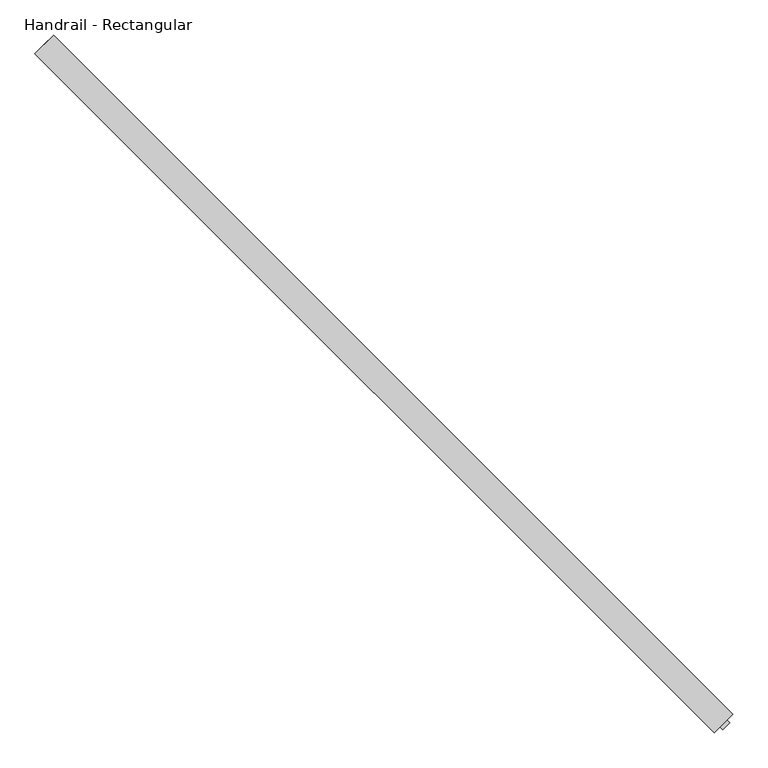
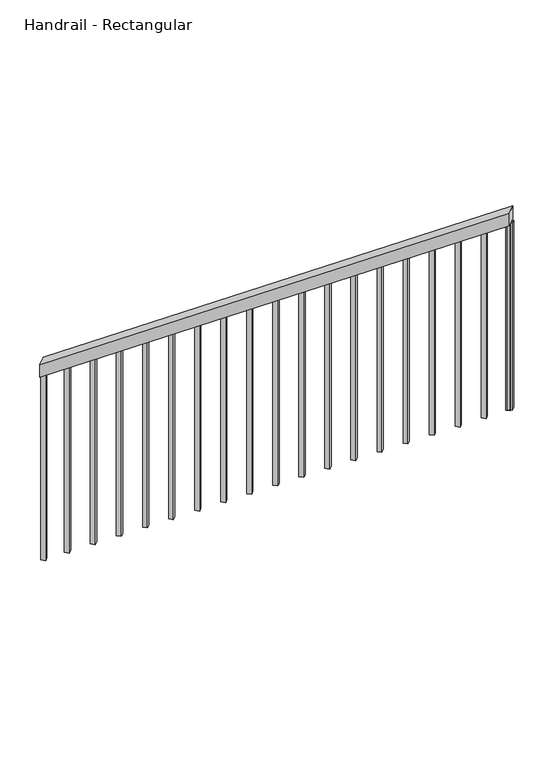
"""IFC4 building model written with IfcOpenShell, lengths in millimetres: railing geometry, Handrail - Rectangular."""

import ifcopenshell
import ifcopenshell.guid

model = None  # the IFC model being written
_history = None  # IfcOwnerHistory: only IFC2X3 demands one
_inside = {}  # id of a spatial element -> (the spatial element, [elements in it])
_under = {}  # id of a project, library or spatial element -> (it, [spatial elements below it])
_declared = {}  # id of a project -> (the project, [libraries it declares])
_typed = {}  # id of a type object -> (the type object, [elements of that type])
_made_of = {}  # id of a material, layer set ... -> (it, [elements and type objects made of it])


def new_model(schema):
    """Start an empty IFC model of exactly this schema.

    Asked for "IFC4X3", IfcOpenShell would pick the latest addendum, in which some entities
    have other attributes; the version numbers below select the first issue.
    IFC2X3 requires an IfcOwnerHistory on every rooted entity: one is made here for all.
    """
    global model, _history
    if schema == "IFC4X3":
        model = ifcopenshell.file(schema_version=(4, 3, 0, 0))
    else:
        model = ifcopenshell.file(schema=schema)
    _inside.clear()
    _under.clear()
    _declared.clear()
    _typed.clear()
    _made_of.clear()
    _history = None
    if model.schema == "IFC2X3":
        org = make("IfcOrganization", Name="unknown")
        user = make(
            "IfcPersonAndOrganization",
            ThePerson=make("IfcPerson", FamilyName="unknown"),
            TheOrganization=org,
        )
        app = make(
            "IfcApplication",
            ApplicationDeveloper=org,
            Version="unknown",
            ApplicationFullName="unknown",
            ApplicationIdentifier="unknown",
        )
        _history = make(
            "IfcOwnerHistory",
            OwningUser=user,
            OwningApplication=app,
            ChangeAction="ADDED",
            CreationDate=0,
        )
    return model


def make(cls, **values):
    """One entity of the class cls with the attributes given. An attribute that is None is left unset."""
    return model.create_entity(
        cls, **{name: value for name, value in values.items() if value is not None}
    )


def rooted(cls, **values):
    """An entity with a GlobalId (a new one), such as an element, a storey or a relation."""
    return make(cls, GlobalId=ifcopenshell.guid.new(), OwnerHistory=_history, **values)


def si_unit(unit_type, name, prefix=None):
    """IfcSIUnit, for example si_unit("LENGTHUNIT", "METRE", prefix="MILLI")."""
    return make("IfcSIUnit", UnitType=unit_type, Prefix=prefix, Name=name)


def assignment(units):
    """IfcUnitAssignment: the units of a project."""
    return None if units is None else make("IfcUnitAssignment", Units=units)


def point(xyz):
    """IfcCartesianPoint."""
    return None if xyz is None else make("IfcCartesianPoint", Coordinates=xyz)


def direction(xyz):
    """IfcDirection."""
    return None if xyz is None else make("IfcDirection", DirectionRatios=xyz)


def frame(location, z_axis=None, x_axis=None):
    """IfcAxis2Placement3D, a coordinate frame: its origin and axes. An axis left out is left unset."""
    return make(
        "IfcAxis2Placement3D",
        Location=point(location),
        Axis=direction(z_axis),
        RefDirection=direction(x_axis),
    )


def origin():
    """The frame at (0, 0, 0) with its axes left unset."""
    return frame((0.0, 0.0, 0.0))


def place(relative_to, where):
    """IfcLocalPlacement: puts the frame where relative to a parent placement (None: the world)."""
    return make(
        "IfcLocalPlacement", PlacementRelTo=relative_to, RelativePlacement=where
    )


def context(
    kind, dimensions, precision=None, world=None, true_north=None, identifier=None
):
    """IfcGeometricRepresentationContext, for example the 3D "Model" context."""
    return make(
        "IfcGeometricRepresentationContext",
        ContextIdentifier=identifier,
        ContextType=kind,
        CoordinateSpaceDimension=dimensions,
        Precision=precision,
        WorldCoordinateSystem=world,
        TrueNorth=true_north,
    )


def project(units=None, contexts=None):
    """IfcProject with its units and contexts."""
    return rooted(
        "IfcProject",
        Name="project",
        RepresentationContexts=contexts,
        UnitsInContext=assignment(units),
    )


def spatial(cls, under=None, at=None, **own):
    """A site, building, storey or space (cls), placed at a placement, below another one or the project."""
    s = rooted(cls, ObjectPlacement=at, **own)
    if under is not None:
        _under.setdefault(under.id(), (under, []))[1].append(s)
    return s


def polyline(points):
    """IfcPolyline through the points."""
    return make("IfcPolyline", Points=[point(p) for p in points])


def outline(outer, holes=None, kind="AREA"):
    """IfcArbitraryClosedProfileDef: a profile drawn as a closed curve; with holes, ...WithVoids."""
    if holes is None:
        return make("IfcArbitraryClosedProfileDef", ProfileType=kind, OuterCurve=outer)
    return make(
        "IfcArbitraryProfileDefWithVoids",
        ProfileType=kind,
        OuterCurve=outer,
        InnerCurves=holes,
    )


def extrude(swept, where, along, depth):
    """IfcExtrudedAreaSolid: the profile swept, set in the frame where, extruded along a direction by depth."""
    return make(
        "IfcExtrudedAreaSolid",
        SweptArea=swept,
        Position=where,
        ExtrudedDirection=direction(along),
        Depth=depth,
    )


def shape(context_of_items, identifier, shape_type, items):
    """IfcShapeRepresentation: the items that make up one representation, for example the "Body"."""
    return make(
        "IfcShapeRepresentation",
        ContextOfItems=context_of_items,
        RepresentationIdentifier=identifier,
        RepresentationType=shape_type,
        Items=items,
    )


def source(mapping_origin, context_of_items, identifier, shape_type, items):
    """IfcRepresentationMap: a shape defined once, which mapped items show again and again."""
    return make(
        "IfcRepresentationMap",
        MappingOrigin=mapping_origin,
        MappedRepresentation=shape(context_of_items, identifier, shape_type, items),
    )


def transform(
    local_origin,
    x_axis=None,
    y_axis=None,
    z_axis=None,
    scale=None,
    scale2=None,
    scale3=None,
    uniform=True,
):
    """IfcCartesianTransformationOperator3D, or its non-uniform kind. x_axis, y_axis, z_axis: its Axis1, 2, 3."""
    if uniform:
        return make(
            "IfcCartesianTransformationOperator3D",
            Axis1=direction(x_axis),
            Axis2=direction(y_axis),
            LocalOrigin=point(local_origin),
            Scale=scale,
            Axis3=direction(z_axis),
        )
    return make(
        "IfcCartesianTransformationOperator3DnonUniform",
        Axis1=direction(x_axis),
        Axis2=direction(y_axis),
        LocalOrigin=point(local_origin),
        Scale=scale,
        Axis3=direction(z_axis),
        Scale2=scale2,
        Scale3=scale3,
    )


def mapped(mapping_source, mapping_target):
    """IfcMappedItem: shows the shape of a source again, moved by a transform."""
    return make(
        "IfcMappedItem", MappingSource=mapping_source, MappingTarget=mapping_target
    )


def made_of(thing, what):
    """Note that an element or type object is made of a material, layer set ...; save() writes the relation."""
    if what is not None:
        _made_of.setdefault(what.id(), (what, []))[1].append(thing)
    return thing


def element(
    cls,
    number,
    at=None,
    inside=None,
    cuts=None,
    type_object=None,
    material=None,
    context=None,
    identifier="Body",
    shape_type=None,
    held_by="IfcProductDefinitionShape",
    body=None,
    shapes=None,
    **own,
):
    """One element of the class cls, such as IfcWall. Its Tag is "e" and its number.

    at: its placement. inside: the storey or other place that contains it. cuts: it is an
    opening in that element (IfcRelVoidsElement). A single representation is given by context,
    identifier, shape_type and body (its items); several are given by shapes. held_by: the class
    of the entity that holds the representations. save() writes the other relations.
    """
    e = rooted(cls, Tag="e%d" % number, ObjectPlacement=at, **own)
    if body is not None:
        shapes = [shape(context, identifier, shape_type, body)]
    if shapes is not None:
        e.Representation = make(held_by, Representations=shapes)
    if inside is not None:
        _inside.setdefault(inside.id(), (inside, []))[1].append(e)
    if cuts is not None:
        rooted(
            "IfcRelVoidsElement", RelatingBuildingElement=cuts, RelatedOpeningElement=e
        )
    if type_object is not None:
        _typed.setdefault(type_object.id(), (type_object, []))[1].append(e)
    return made_of(e, material)


def aggregate(whole, parts):
    """IfcRelAggregates: a whole, such as a stair, and the parts it consists of."""
    return rooted("IfcRelAggregates", RelatingObject=whole, RelatedObjects=parts)


def save(model, path):
    """Write the relations noted so far, then the file.

    IfcRelAggregates (storeys below a building ...), IfcRelContainedInSpatialStructure (elements
    in a storey), IfcRelDefinesByType, IfcRelAssociatesMaterial and IfcRelDeclares: one each for
    every whole, place, type object, material and project.
    """
    for whole, parts in _under.values():
        aggregate(whole, parts)
    for where, things in _inside.values():
        rooted(
            "IfcRelContainedInSpatialStructure",
            RelatedElements=things,
            RelatingStructure=where,
        )
    for kind, things in _typed.values():
        rooted("IfcRelDefinesByType", RelatedObjects=things, RelatingType=kind)
    for what, things in _made_of.values():
        rooted("IfcRelAssociatesMaterial", RelatedObjects=things, RelatingMaterial=what)
    for by, libraries in _declared.values():
        rooted("IfcRelDeclares", RelatingContext=by, RelatedDefinitions=libraries)
    model.write(path)


def handrail_rectangular_7dae21b6(model_context):
    return source(origin(), model_context, "Body", "SweptSolid", [
        extrude(outline(polyline([(28.5226862, -50.8), (0.0, 0.0), (2100.3521644, 1e-07), (2128.8748507, -50.8), (28.5226862, -50.8)])), frame((-8519.103815, -1057.8869688, 1031.434726), z_axis=(0.7071067811865491, 0.7071067811865459, 0.0), x_axis=(0.6165680939644765, -0.6165680939644793, 0.4895789732106777)), (0.0, 0.0, 1.0), 50.8),
        extrude(outline(polyline([(223.2519963, -19.05), (233.9480036, 0.0), (1084.7403773, 0.0), (1084.7403773, -19.05), (223.2519963, -19.05)])), frame((-7221.4568055, -2333.083338, 2286.8514302), z_axis=(0.7071067811865491, 0.707106781186546, 0.0), x_axis=(0.0, 0.0, -1.0)), (0.0, 0.0, 1.0), 19.05),
        extrude(outline(polyline([(223.2519963, -19.05), (233.9480037, 0.0), (1084.7403774, 0.0), (1084.7403774, -19.05), (223.2519963, -19.05)])), frame((-7293.2988545, -2261.241289, 2229.8060578), z_axis=(0.7071067811865491, 0.707106781186546, 0.0), x_axis=(0.0, 0.0, -1.0)), (0.0, 0.0, 1.0), 19.05),
        extrude(outline(polyline([(223.2519963, -19.05), (233.9480036, 0.0), (1084.7403773, 0.0), (1084.7403773, -19.05), (223.2519963, -19.05)])), frame((-7365.1409035, -2189.39924, 2172.7606853), z_axis=(0.7071067811865491, 0.707106781186546, 0.0), x_axis=(0.0, 0.0, -1.0)), (0.0, 0.0, 1.0), 19.05),
        extrude(outline(polyline([(223.2519964, -19.05), (233.9480037, 0.0), (1084.7403774, 0.0), (1084.7403774, -19.05), (223.2519964, -19.05)])), frame((-7436.9829524, -2117.5571911, 2115.7153129), z_axis=(0.7071067811865491, 0.707106781186546, 0.0), x_axis=(0.0, 0.0, -1.0)), (0.0, 0.0, 1.0), 19.05),
        extrude(outline(polyline([(223.2519963, -19.05), (233.9480037, 0.0), (1084.7403774, 0.0), (1084.7403774, -19.05), (223.2519963, -19.05)])), frame((-7508.8250014, -2045.7151421, 2058.6699404), z_axis=(0.7071067811865491, 0.707106781186546, 0.0), x_axis=(0.0, 0.0, -1.0)), (0.0, 0.0, 1.0), 19.05),
        extrude(outline(polyline([(223.2519963, -19.05), (233.9480036, 0.0), (1084.7403773, 0.0), (1084.7403773, -19.05), (223.2519963, -19.05)])), frame((-7580.6670504, -1973.8730931, 2001.6245679), z_axis=(0.7071067811865491, 0.707106781186546, 0.0), x_axis=(0.0, 0.0, -1.0)), (0.0, 0.0, 1.0), 19.05),
        extrude(outline(polyline([(223.2519963, -19.05), (233.9480037, 0.0), (1084.7403774, 0.0), (1084.7403774, -19.05), (223.2519963, -19.05)])), frame((-7652.5090993, -1902.0310442, 1944.5791955), z_axis=(0.7071067811865491, 0.707106781186546, 0.0), x_axis=(0.0, 0.0, -1.0)), (0.0, 0.0, 1.0), 19.05),
        extrude(outline(polyline([(223.2519963, -19.05), (233.9480036, 0.0), (1084.7403773, 0.0), (1084.7403773, -19.05), (223.2519963, -19.05)])), frame((-7724.3511483, -1830.1889952, 1887.533823), z_axis=(0.7071067811865491, 0.707106781186546, 0.0), x_axis=(0.0, 0.0, -1.0)), (0.0, 0.0, 1.0), 19.05),
        extrude(outline(polyline([(223.2519964, -19.05), (233.9480037, 0.0), (1084.7403774, 0.0), (1084.7403774, -19.05), (223.2519964, -19.05)])), frame((-7796.1931973, -1758.3469462, 1830.4884506), z_axis=(0.7071067811865491, 0.707106781186546, 0.0), x_axis=(0.0, 0.0, -1.0)), (0.0, 0.0, 1.0), 19.05),
        extrude(outline(polyline([(223.2519963, -19.0499999), (233.9480037, 0.0), (1084.7403774, 0.0), (1084.7403774, -19.0499999), (223.2519963, -19.0499999)])), frame((-7868.0352462, -1686.5048973, 1773.4430781), z_axis=(0.7071067811865491, 0.707106781186546, 0.0), x_axis=(0.0, 0.0, -1.0)), (0.0, 0.0, 1.0), 19.05),
        extrude(outline(polyline([(223.2519963, -19.05), (233.9480036, 0.0), (1084.7403773, 0.0), (1084.7403773, -19.05), (223.2519963, -19.05)])), frame((-7939.8772952, -1614.6628483, 1716.3977056), z_axis=(0.7071067811865491, 0.707106781186546, 0.0), x_axis=(0.0, 0.0, -1.0)), (0.0, 0.0, 1.0), 19.05),
        extrude(outline(polyline([(223.2519963, -19.05), (233.9480037, 0.0), (1084.7403774, 0.0), (1084.7403774, -19.05), (223.2519963, -19.05)])), frame((-8011.7193442, -1542.8207993, 1659.3523332), z_axis=(0.7071067811865491, 0.707106781186546, 0.0), x_axis=(0.0, 0.0, -1.0)), (0.0, 0.0, 1.0), 19.05),
        extrude(outline(polyline([(223.2519963, -19.0499999), (233.9480036, 0.0), (1084.7403773, 0.0), (1084.7403773, -19.0499999), (223.2519963, -19.0499999)])), frame((-8083.5613931, -1470.9787504, 1602.3069607), z_axis=(0.7071067811865491, 0.707106781186546, 0.0), x_axis=(0.0, 0.0, -1.0)), (0.0, 0.0, 1.0), 19.05),
        extrude(outline(polyline([(223.2519964, -19.05), (233.9480037, 0.0), (1084.7403774, 0.0), (1084.7403774, -19.05), (223.2519964, -19.05)])), frame((-8155.4034421, -1399.1367014, 1545.2615883), z_axis=(0.7071067811865491, 0.707106781186546, 0.0), x_axis=(0.0, 0.0, -1.0)), (0.0, 0.0, 1.0), 19.05),
        extrude(outline(polyline([(223.2519963, -19.05), (233.9480037, 0.0), (1084.7403774, 0.0), (1084.7403774, -19.05), (223.2519963, -19.05)])), frame((-8227.2454911, -1327.2946524, 1488.2162158), z_axis=(0.7071067811865491, 0.707106781186546, 0.0), x_axis=(0.0, 0.0, -1.0)), (0.0, 0.0, 1.0), 19.05),
        extrude(outline(polyline([(223.2519963, -19.0499999), (233.9480036, 0.0), (1084.7403773, 0.0), (1084.7403773, -19.0499999), (223.2519963, -19.0499999)])), frame((-8299.08754, -1255.4526035, 1431.1708433), z_axis=(0.7071067811865491, 0.707106781186546, 0.0), x_axis=(0.0, 0.0, -1.0)), (0.0, 0.0, 1.0), 19.05),
        extrude(outline(polyline([(223.2519964, -19.05), (233.9480037, 0.0), (1084.7403774, 0.0), (1084.7403774, -19.05), (223.2519964, -19.05)])), frame((-8370.929589, -1183.6105545, 1374.1254709), z_axis=(0.7071067811865491, 0.707106781186546, 0.0), x_axis=(0.0, 0.0, -1.0)), (0.0, 0.0, 1.0), 19.05),
        extrude(outline(polyline([(223.2519963, -19.05), (233.9480036, 0.0), (1084.7403773, 0.0), (1084.7403773, -19.05), (223.2519963, -19.05)])), frame((-8442.771638, -1111.7685055, 1317.0800984), z_axis=(0.7071067811865491, 0.707106781186546, 0.0), x_axis=(0.0, 0.0, -1.0)), (0.0, 0.0, 1.0), 19.05),
        extrude(outline(polyline([(223.2519964, -19.05), (233.9480037, 0.0), (1084.7403774, 0.0), (1084.7403774, -19.05), (223.2519964, -19.05)])), frame((-7226.3387483, -2328.2013952, 2282.9749784), z_axis=(0.7071067811865491, 0.707106781186546, 0.0), x_axis=(0.0, 0.0, -1.0)), (0.0, 0.0, 1.0), 19.05),
        extrude(outline(polyline([(223.2519963, -19.05), (233.9480036, 0.0), (1084.7403773, 0.0), (1084.7403773, -19.05), (223.2519963, -19.05)])), frame((-8507.8784949, -1046.6616486, 1265.3827296), z_axis=(0.7071067811865491, 0.707106781186546, 0.0), x_axis=(0.0, 0.0, -1.0)), (0.0, 0.0, 1.0), 19.05),
    ])


if __name__ == "__main__":
    model = new_model("IFC4")
    model_context = context("Model", 3, world=origin())
    ifc_project = project(units=[si_unit("LENGTHUNIT", "METRE", prefix="MILLI")], contexts=[model_context])
    site = spatial("IfcSite", under=ifc_project)
    building = spatial("IfcBuilding", under=site)
    placement = place(None, origin())
    handrail_rectangular_shape = handrail_rectangular_7dae21b6(model_context)
    element("IfcRailing", 1, ObjectType="Handrail - Rectangular", at=placement, inside=building, context=model_context, shape_type="MappedRepresentation", body=[
        mapped(handrail_rectangular_shape, transform((0.0, 0.0, 0.0), x_axis=(1.0, 0.0, 0.0), y_axis=(0.0, 1.0, 0.0), z_axis=(0.0, 0.0, 1.0))),
    ])
    save(model, "model.ifc")
